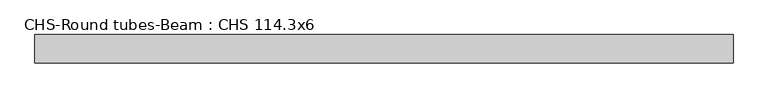
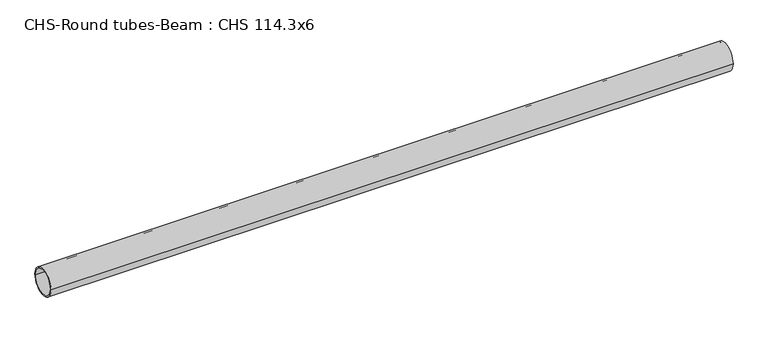
"""IFC4 building model written with IfcOpenShell, lengths in millimetres: beam geometry, CHS-Round tubes-Beam : CHS 114.3x6."""

from ifc_helpers import new_model, si_unit, point, frame, origin, origin_2d, place, context, project, spatial, circle_curve, trimmed, segment, composite_curve, outline, extrude, source, transform, mapped, element, save


def chs_round_tubes_beam_chs_114_3x6_8bbd6351(model_context):
    return source(origin(), model_context, "Body", "SweptSolid", [
        extrude(outline(composite_curve([segment(trimmed(circle_curve(origin_2d(), 57.15), [point((57.15, 0.0))], [point((-57.15, 0.0))], False, "CARTESIAN"), True, "CONTINUOUS"), segment(trimmed(circle_curve(origin_2d(), 57.15), [point((-57.15, 0.0))], [point((57.15, 0.0))], False, "CARTESIAN"), True, "CONTINUOUS")], self_intersect=False), holes=[composite_curve([segment(trimmed(circle_curve(origin_2d(), 51.15), [point((51.15, 0.0))], [point((-51.15, 0.0))], True, "CARTESIAN"), True, "CONTINUOUS"), segment(trimmed(circle_curve(origin_2d(), 51.15), [point((-51.15, 0.0))], [point((51.15, 0.0))], True, "CARTESIAN"), True, "CONTINUOUS")], self_intersect=False)]), frame((-1358.287618, 0.0, 0.0), z_axis=(1.0, 0.0, 0.0), x_axis=(0.0, 1.0, 0.0)), (0.0, 0.0, 1.0), 2804.8501348),
    ])


if __name__ == "__main__":
    model = new_model("IFC4")
    model_context = context("Model", 3, world=origin())
    ifc_project = project(units=[si_unit("LENGTHUNIT", "METRE", prefix="MILLI")], contexts=[model_context])
    site = spatial("IfcSite", under=ifc_project)
    building = spatial("IfcBuilding", under=site)
    placement = place(None, origin())
    chs_round_tubes_beam_chs_114_3x6_shape = chs_round_tubes_beam_chs_114_3x6_8bbd6351(model_context)
    element("IfcBeam", 1, ObjectType="CHS-Round tubes-Beam : CHS 114.3x6", at=placement, inside=building, context=model_context, shape_type="MappedRepresentation", body=[
        mapped(chs_round_tubes_beam_chs_114_3x6_shape, transform((0.0, 0.0, 0.0), x_axis=(1.0, 0.0, 0.0), y_axis=(0.0, 1.0, 0.0), z_axis=(0.0, 0.0, 1.0))),
    ])
    save(model, "model.ifc")
